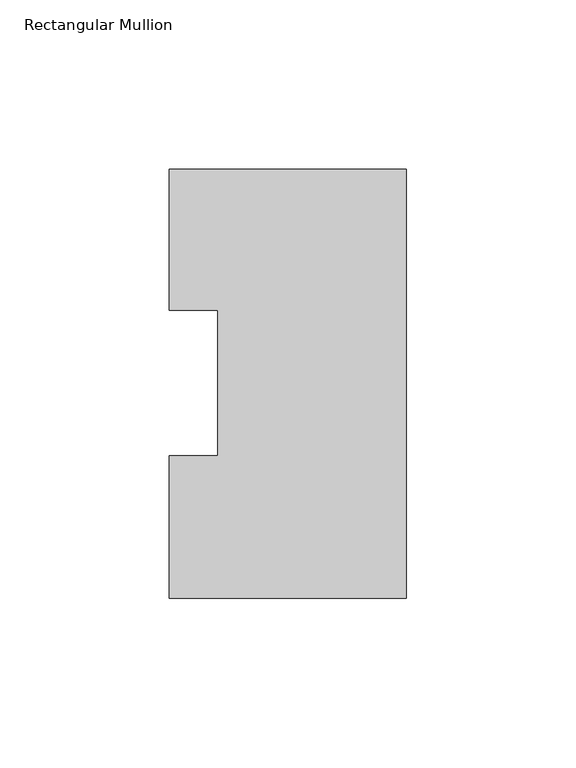
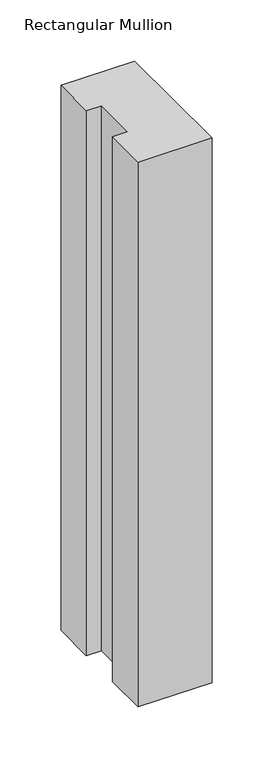
"""IFC4 building model written with IfcOpenShell, lengths in millimetres: member geometry, Rectangular Mullion."""

from ifc_helpers import new_model, si_unit, frame, origin, place, context, project, spatial, polyline, outline, extrude, source, transform, mapped, element, save


def rectangular_mullion_281457c4(model_context):
    return source(origin(), model_context, "Body", "SweptSolid", [
        extrude(outline(polyline([(-55.5625, 91.7773438), (-69.85, 91.7773438), (-69.85, 133.3825438), (0.0, 133.3825438), (0.0, 6.8905438), (-69.85, 6.8905438), (-69.85, 48.9275438), (-55.5625, 48.9275438), (-55.5625, 91.7773438)])), frame((0.0, 0.0, -545.0416667), z_axis=(0.0, 0.0, 1.0), x_axis=(1.0, 0.0, 0.0)), (0.0, 0.0, 1.0), 545.0416667),
    ])


if __name__ == "__main__":
    model = new_model("IFC4")
    model_context = context("Model", 3, world=origin())
    ifc_project = project(units=[si_unit("LENGTHUNIT", "METRE", prefix="MILLI")], contexts=[model_context])
    site = spatial("IfcSite", under=ifc_project)
    building = spatial("IfcBuilding", under=site)
    placement = place(None, origin())
    rectangular_mullion_shape = rectangular_mullion_281457c4(model_context)
    element("IfcMember", 1, ObjectType="Rectangular Mullion", at=placement, inside=building, context=model_context, shape_type="MappedRepresentation", body=[
        mapped(rectangular_mullion_shape, transform((0.0, 0.0, 0.0), x_axis=(1.0, 0.0, 0.0), y_axis=(0.0, 1.0, 0.0), z_axis=(0.0, 0.0, 1.0))),
    ])
    save(model, "model.ifc")
